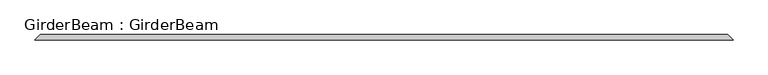
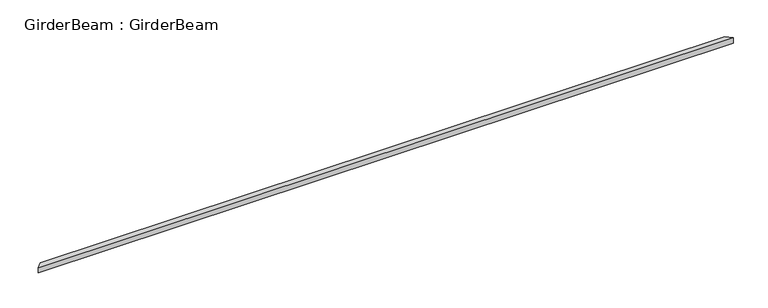
"""IFC4 building model written with IfcOpenShell, lengths in millimetres: beam geometry, GirderBeam : GirderBeam."""

import ifcopenshell
import ifcopenshell.guid

model = None  # the IFC model being written
_history = None  # IfcOwnerHistory: only IFC2X3 demands one
_inside = {}  # id of a spatial element -> (the spatial element, [elements in it])
_under = {}  # id of a project, library or spatial element -> (it, [spatial elements below it])
_declared = {}  # id of a project -> (the project, [libraries it declares])
_typed = {}  # id of a type object -> (the type object, [elements of that type])
_made_of = {}  # id of a material, layer set ... -> (it, [elements and type objects made of it])


def new_model(schema):
    """Start an empty IFC model of exactly this schema.

    Asked for "IFC4X3", IfcOpenShell would pick the latest addendum, in which some entities
    have other attributes; the version numbers below select the first issue.
    IFC2X3 requires an IfcOwnerHistory on every rooted entity: one is made here for all.
    """
    global model, _history
    if schema == "IFC4X3":
        model = ifcopenshell.file(schema_version=(4, 3, 0, 0))
    else:
        model = ifcopenshell.file(schema=schema)
    _inside.clear()
    _under.clear()
    _declared.clear()
    _typed.clear()
    _made_of.clear()
    _history = None
    if model.schema == "IFC2X3":
        org = make("IfcOrganization", Name="unknown")
        user = make(
            "IfcPersonAndOrganization",
            ThePerson=make("IfcPerson", FamilyName="unknown"),
            TheOrganization=org,
        )
        app = make(
            "IfcApplication",
            ApplicationDeveloper=org,
            Version="unknown",
            ApplicationFullName="unknown",
            ApplicationIdentifier="unknown",
        )
        _history = make(
            "IfcOwnerHistory",
            OwningUser=user,
            OwningApplication=app,
            ChangeAction="ADDED",
            CreationDate=0,
        )
    return model


def make(cls, **values):
    """One entity of the class cls with the attributes given. An attribute that is None is left unset."""
    return model.create_entity(
        cls, **{name: value for name, value in values.items() if value is not None}
    )


def rooted(cls, **values):
    """An entity with a GlobalId (a new one), such as an element, a storey or a relation."""
    return make(cls, GlobalId=ifcopenshell.guid.new(), OwnerHistory=_history, **values)


def si_unit(unit_type, name, prefix=None):
    """IfcSIUnit, for example si_unit("LENGTHUNIT", "METRE", prefix="MILLI")."""
    return make("IfcSIUnit", UnitType=unit_type, Prefix=prefix, Name=name)


def assignment(units):
    """IfcUnitAssignment: the units of a project."""
    return None if units is None else make("IfcUnitAssignment", Units=units)


def point(xyz):
    """IfcCartesianPoint."""
    return None if xyz is None else make("IfcCartesianPoint", Coordinates=xyz)


def direction(xyz):
    """IfcDirection."""
    return None if xyz is None else make("IfcDirection", DirectionRatios=xyz)


def frame(location, z_axis=None, x_axis=None):
    """IfcAxis2Placement3D, a coordinate frame: its origin and axes. An axis left out is left unset."""
    return make(
        "IfcAxis2Placement3D",
        Location=point(location),
        Axis=direction(z_axis),
        RefDirection=direction(x_axis),
    )


def origin():
    """The frame at (0, 0, 0) with its axes left unset."""
    return frame((0.0, 0.0, 0.0))


def place(relative_to, where):
    """IfcLocalPlacement: puts the frame where relative to a parent placement (None: the world)."""
    return make(
        "IfcLocalPlacement", PlacementRelTo=relative_to, RelativePlacement=where
    )


def context(
    kind, dimensions, precision=None, world=None, true_north=None, identifier=None
):
    """IfcGeometricRepresentationContext, for example the 3D "Model" context."""
    return make(
        "IfcGeometricRepresentationContext",
        ContextIdentifier=identifier,
        ContextType=kind,
        CoordinateSpaceDimension=dimensions,
        Precision=precision,
        WorldCoordinateSystem=world,
        TrueNorth=true_north,
    )


def project(units=None, contexts=None):
    """IfcProject with its units and contexts."""
    return rooted(
        "IfcProject",
        Name="project",
        RepresentationContexts=contexts,
        UnitsInContext=assignment(units),
    )


def spatial(cls, under=None, at=None, **own):
    """A site, building, storey or space (cls), placed at a placement, below another one or the project."""
    s = rooted(cls, ObjectPlacement=at, **own)
    if under is not None:
        _under.setdefault(under.id(), (under, []))[1].append(s)
    return s


def polyline(points):
    """IfcPolyline through the points."""
    return make("IfcPolyline", Points=[point(p) for p in points])


def outline(outer, holes=None, kind="AREA"):
    """IfcArbitraryClosedProfileDef: a profile drawn as a closed curve; with holes, ...WithVoids."""
    if holes is None:
        return make("IfcArbitraryClosedProfileDef", ProfileType=kind, OuterCurve=outer)
    return make(
        "IfcArbitraryProfileDefWithVoids",
        ProfileType=kind,
        OuterCurve=outer,
        InnerCurves=holes,
    )


def extrude(swept, where, along, depth):
    """IfcExtrudedAreaSolid: the profile swept, set in the frame where, extruded along a direction by depth."""
    return make(
        "IfcExtrudedAreaSolid",
        SweptArea=swept,
        Position=where,
        ExtrudedDirection=direction(along),
        Depth=depth,
    )


def shape(context_of_items, identifier, shape_type, items):
    """IfcShapeRepresentation: the items that make up one representation, for example the "Body"."""
    return make(
        "IfcShapeRepresentation",
        ContextOfItems=context_of_items,
        RepresentationIdentifier=identifier,
        RepresentationType=shape_type,
        Items=items,
    )


def source(mapping_origin, context_of_items, identifier, shape_type, items):
    """IfcRepresentationMap: a shape defined once, which mapped items show again and again."""
    return make(
        "IfcRepresentationMap",
        MappingOrigin=mapping_origin,
        MappedRepresentation=shape(context_of_items, identifier, shape_type, items),
    )


def transform(
    local_origin,
    x_axis=None,
    y_axis=None,
    z_axis=None,
    scale=None,
    scale2=None,
    scale3=None,
    uniform=True,
):
    """IfcCartesianTransformationOperator3D, or its non-uniform kind. x_axis, y_axis, z_axis: its Axis1, 2, 3."""
    if uniform:
        return make(
            "IfcCartesianTransformationOperator3D",
            Axis1=direction(x_axis),
            Axis2=direction(y_axis),
            LocalOrigin=point(local_origin),
            Scale=scale,
            Axis3=direction(z_axis),
        )
    return make(
        "IfcCartesianTransformationOperator3DnonUniform",
        Axis1=direction(x_axis),
        Axis2=direction(y_axis),
        LocalOrigin=point(local_origin),
        Scale=scale,
        Axis3=direction(z_axis),
        Scale2=scale2,
        Scale3=scale3,
    )


def mapped(mapping_source, mapping_target):
    """IfcMappedItem: shows the shape of a source again, moved by a transform."""
    return make(
        "IfcMappedItem", MappingSource=mapping_source, MappingTarget=mapping_target
    )


def made_of(thing, what):
    """Note that an element or type object is made of a material, layer set ...; save() writes the relation."""
    if what is not None:
        _made_of.setdefault(what.id(), (what, []))[1].append(thing)
    return thing


def element(
    cls,
    number,
    at=None,
    inside=None,
    cuts=None,
    type_object=None,
    material=None,
    context=None,
    identifier="Body",
    shape_type=None,
    held_by="IfcProductDefinitionShape",
    body=None,
    shapes=None,
    **own,
):
    """One element of the class cls, such as IfcWall. Its Tag is "e" and its number.

    at: its placement. inside: the storey or other place that contains it. cuts: it is an
    opening in that element (IfcRelVoidsElement). A single representation is given by context,
    identifier, shape_type and body (its items); several are given by shapes. held_by: the class
    of the entity that holds the representations. save() writes the other relations.
    """
    e = rooted(cls, Tag="e%d" % number, ObjectPlacement=at, **own)
    if body is not None:
        shapes = [shape(context, identifier, shape_type, body)]
    if shapes is not None:
        e.Representation = make(held_by, Representations=shapes)
    if inside is not None:
        _inside.setdefault(inside.id(), (inside, []))[1].append(e)
    if cuts is not None:
        rooted(
            "IfcRelVoidsElement", RelatingBuildingElement=cuts, RelatedOpeningElement=e
        )
    if type_object is not None:
        _typed.setdefault(type_object.id(), (type_object, []))[1].append(e)
    return made_of(e, material)


def aggregate(whole, parts):
    """IfcRelAggregates: a whole, such as a stair, and the parts it consists of."""
    return rooted("IfcRelAggregates", RelatingObject=whole, RelatedObjects=parts)


def save(model, path):
    """Write the relations noted so far, then the file.

    IfcRelAggregates (storeys below a building ...), IfcRelContainedInSpatialStructure (elements
    in a storey), IfcRelDefinesByType, IfcRelAssociatesMaterial and IfcRelDeclares: one each for
    every whole, place, type object, material and project.
    """
    for whole, parts in _under.values():
        aggregate(whole, parts)
    for where, things in _inside.values():
        rooted(
            "IfcRelContainedInSpatialStructure",
            RelatedElements=things,
            RelatingStructure=where,
        )
    for kind, things in _typed.values():
        rooted("IfcRelDefinesByType", RelatedObjects=things, RelatingType=kind)
    for what, things in _made_of.values():
        rooted("IfcRelAssociatesMaterial", RelatedObjects=things, RelatingMaterial=what)
    for by, libraries in _declared.values():
        rooted("IfcRelDeclares", RelatingContext=by, RelatedDefinitions=libraries)
    model.write(path)


def girderbeam_girderbeam_a3977f9f(model_context):
    return source(origin(), model_context, "Body", "SweptSolid", [
        extrude(outline(polyline([(6258.9523368, 48.9899496), (6356.9322359, -48.9899496), (-6356.9322359, -48.9899496), (-6258.9523368, 48.9899496), (6258.9523368, 48.9899496)])), frame((0.0, 0.0, -250.0), z_axis=(0.0, 0.0, 1.0), x_axis=(1.0, 0.0, 0.0)), (0.0, 0.0, 1.0), 100.0),
    ])


if __name__ == "__main__":
    model = new_model("IFC4")
    model_context = context("Model", 3, world=origin())
    ifc_project = project(units=[si_unit("LENGTHUNIT", "METRE", prefix="MILLI")], contexts=[model_context])
    site = spatial("IfcSite", under=ifc_project)
    building = spatial("IfcBuilding", under=site)
    placement = place(None, origin())
    girderbeam_girderbeam_shape = girderbeam_girderbeam_a3977f9f(model_context)
    element("IfcBeam", 1, ObjectType="GirderBeam : GirderBeam", at=placement, inside=building, context=model_context, shape_type="MappedRepresentation", body=[
        mapped(girderbeam_girderbeam_shape, transform((0.0, 0.0, 0.0), x_axis=(1.0, 0.0, 0.0), y_axis=(0.0, 1.0, 0.0), z_axis=(0.0, 0.0, 1.0))),
    ])
    save(model, "model.ifc")
